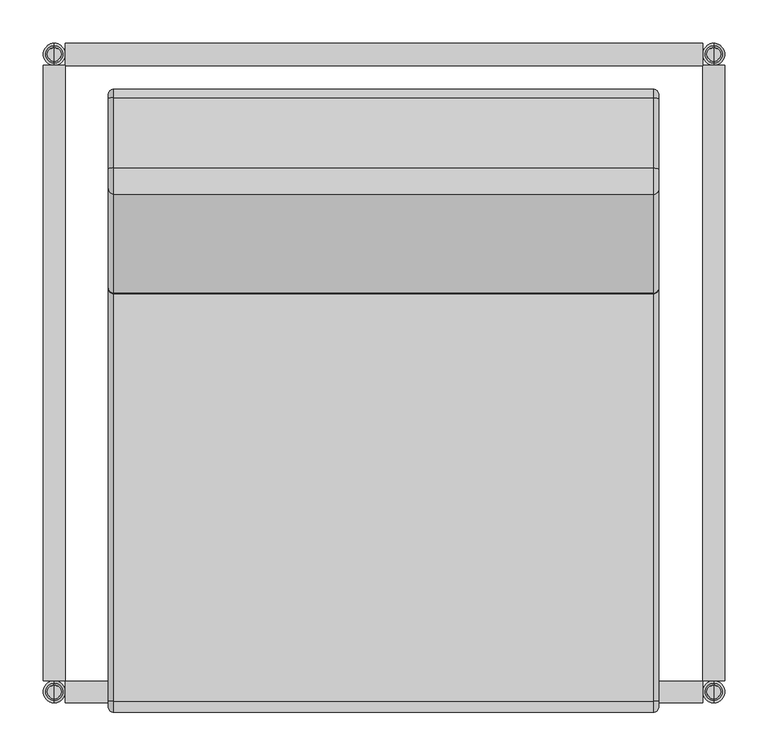
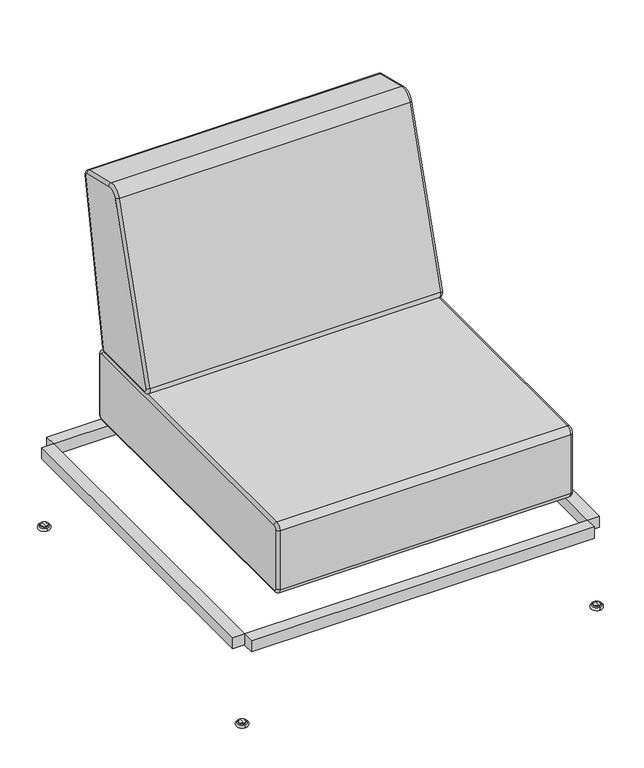
"""IFC4 building model written with IfcOpenShell, lengths in millimetres: furniture geometry."""

from ifc_helpers import new_model, si_unit, point, frame, origin, place, context, project, spatial, polyline, circle_curve, ellipse_curve, trimmed, outline, extrude, source, transform, mapped, element, save
from ifc_brep_helpers import plane_surface, cylinder_surface, revolved_surface, advanced_brep


def furniture_229e0171(model_context):
    return source(origin(), model_context, "Body", "SolidModel", [
        advanced_brep(
        [(318.135, 203.5976693, 449.67347), (318.135, 209.8417908, 454.8687203), (318.135, 274.9248083, 806.058041), (318.135, 270.2144776, 813.3747697), (318.135, 189.0404606, 833.5799534), (318.135, 166.2685391, 820.8153439), (318.135, 51.775765, 457.930579), (318.135, 57.8326142, 449.67347), (-318.135, 57.8326142, 449.67347), (-318.135, 51.775764, 457.9305793), (-318.135, 166.2685402, 820.8153435), (-318.135, 189.0404606, 833.5799534), (-318.135, 270.2144776, 813.3747697), (-318.135, 274.9248088, 806.0580409), (-318.135, 209.8417903, 454.8687204), (-318.135, 203.5976693, 449.67347), (311.785, 57.8326142, 443.32347), (311.785, 45.7189138, 459.8376886), (-311.7850067, 45.7189138, 459.8376886), (-311.785, 57.8326142, 443.32347), (311.785, 203.5976693, 443.32347), (-311.785, 203.5976693, 443.32347), (311.785, 216.0859123, 453.7139707), (-311.785, 216.0859123, 453.7139707), (311.785, 281.1689303, 804.9032913), (-311.785, 281.1689303, 804.9032913), (311.785, 271.7482679, 819.5367489), (-311.785, 271.7482679, 819.5367489), (311.785, 190.5742509, 839.7419326), (-311.785, 190.5742509, 839.7419326), (311.785, 160.211689, 822.7224532), (-311.785, 160.211689, 822.7224532)],
        [
            (0, 1, circle_curve(frame((318.135, 203.5976693, 456.02347), z_axis=(1.0, 0.0, 0.0), x_axis=(0.0, 0.0, -1.0)), 6.35)),
            (1, 2),
            (2, 3, circle_curve(frame((318.135, 268.6806873, 807.2127906), z_axis=(1.0, 0.0, 0.0), x_axis=(0.0, 0.9833262195498119, -0.1818503394164419)), 6.35)),
            (3, 4),
            (4, 5, circle_curve(frame((318.135, 184.4390897, 815.0940159), z_axis=(1.0, 0.0, 0.0), x_axis=(0.0, 0.24154178146765434, 0.9703904202976408)), 19.05)),
            (5, 6),
            (6, 7, circle_curve(frame((318.135, 57.8326142, 456.02347), z_axis=(1.0, 0.0, 0.0), x_axis=(0.0, -0.9538346735536154, 0.300332175310718)), 6.35)),
            (7, 0),
            (8, 9, circle_curve(frame((-318.135, 57.8326142, 456.02347), z_axis=(-1.0, 0.0, 0.0), x_axis=(0.0, 0.0, -1.0)), 6.35)),
            (9, 10),
            (10, 11, circle_curve(frame((-318.135, 184.4390897, 815.0940159), z_axis=(-1.0, 0.0, 0.0), x_axis=(0.0, -0.9538346735536174, 0.3003321753107118)), 19.05)),
            (11, 12),
            (12, 13, circle_curve(frame((-318.135, 268.6806873, 807.2127906), z_axis=(-1.0, 0.0, 0.0), x_axis=(0.0, 0.2415417814676418, 0.9703904202976439)), 6.35)),
            (13, 14),
            (14, 15, circle_curve(frame((-318.135, 203.5976693, 456.02347), z_axis=(-1.0, 0.0, 0.0), x_axis=(0.0, 0.9833262195498153, -0.18185033941642398)), 6.35)),
            (15, 8),
            (16, 17, circle_curve(frame((311.785, 57.8326142, 456.02347), z_axis=(-1.0, 0.0, 0.0), x_axis=(0.0, 1.0, 0.0)), 12.7)),
            (17, 18),
            (18, 19, circle_curve(frame((-311.785, 57.8326142, 456.02347), z_axis=(1.0, 0.0, 0.0), x_axis=(0.0, 1.0, 0.0)), 12.7)),
            (19, 16),
            (20, 16),
            (19, 21),
            (21, 20),
            (22, 20, circle_curve(frame((311.785, 203.5976693, 456.02347), z_axis=(-1.0, 0.0, 0.0), x_axis=(0.0, 1.0, 0.0)), 12.7)),
            (21, 23, circle_curve(frame((-311.785, 203.5976693, 456.02347), z_axis=(1.0, 0.0, 0.0), x_axis=(0.0, 1.0, 0.0)), 12.7)),
            (23, 22),
            (24, 22),
            (23, 25),
            (25, 24),
            (26, 24, circle_curve(frame((311.785, 268.6806873, 807.2127906), z_axis=(-1.0, 0.0, 0.0), x_axis=(0.0, 1.0, 0.0)), 12.7)),
            (25, 27, circle_curve(frame((-311.785, 268.6806873, 807.2127906), z_axis=(1.0, 0.0, 0.0), x_axis=(0.0, 1.0, 0.0)), 12.7)),
            (27, 26),
            (28, 26),
            (27, 29),
            (29, 28),
            (30, 28, circle_curve(frame((311.785, 184.4390897, 815.0940159), z_axis=(-1.0, 0.0, 0.0), x_axis=(0.0, 1.0, 0.0)), 25.4)),
            (29, 31, circle_curve(frame((-311.785, 184.4390897, 815.0940159), z_axis=(1.0, 0.0, 0.0), x_axis=(0.0, 1.0, 0.0)), 25.4)),
            (31, 30),
            (17, 30),
            (31, 18),
            (22, 1, circle_curve(frame((311.785, 209.8417908, 454.8687203), z_axis=(0.0, -0.18185033941643255, -0.9833262195498137), x_axis=(1.0, 0.0, 0.0)), 6.35)),
            (0, 20, circle_curve(frame((311.785, 203.5976693, 449.67347), z_axis=(0.0, 1.0, 0.0), x_axis=(1.0, 0.0, 0.0)), 6.35)),
            (24, 2, circle_curve(frame((311.785, 274.9248088, 806.0580409), z_axis=(0.0, -0.18185033941644188, -0.9833262195498119), x_axis=(1.0, 0.0, 0.0)), 6.35)),
            (26, 3, circle_curve(frame((311.785, 270.2144776, 813.3747697), z_axis=(0.0, 0.9703904202976429, -0.24154178146764613), x_axis=(1.0, 0.0, 0.0)), 6.35)),
            (28, 4, circle_curve(frame((311.785, 189.0404606, 833.5799534), z_axis=(0.0, 0.9703904202976446, -0.24154178146763988), x_axis=(1.0, 0.0, 0.0)), 6.35)),
            (30, 5, circle_curve(frame((311.785, 166.2685391, 820.8153439), z_axis=(0.0, 0.30033217531071976, 0.9538346735536148), x_axis=(1.0, 0.0, 0.0)), 6.35)),
            (17, 6, circle_curve(frame((311.785, 51.775764, 457.9305793), z_axis=(0.0, 0.30033217531071843, 0.9538346735536153), x_axis=(1.0, 0.0, 0.0)), 6.35)),
            (16, 7, circle_curve(frame((311.785, 57.8326142, 449.67347), z_axis=(0.0, -0.9999999999999999, 0.0), x_axis=(1.0, 0.0, 0.0)), 6.35)),
            (18, 9, circle_curve(frame((-311.785, 51.775764, 457.9305793), z_axis=(0.0, -0.30033217531071216, -0.9538346735536172), x_axis=(-1.0, 0.0, 0.0)), 6.35)),
            (8, 19, circle_curve(frame((-311.785, 57.8326142, 449.67347), z_axis=(0.0, -1.0, 0.0), x_axis=(-1.0, 0.0, 0.0)), 6.35)),
            (31, 10, circle_curve(frame((-311.785, 166.2685391, 820.8153439), z_axis=(0.0, -0.3003321753107114, -0.9538346735536175), x_axis=(-1.0, 0.0, 0.0)), 6.35)),
            (29, 11, circle_curve(frame((-311.785, 189.0404606, 833.5799534), z_axis=(0.0, -0.9703904202976462, 0.241541781467633), x_axis=(-1.0, 0.0, 0.0)), 6.35)),
            (27, 12, circle_curve(frame((-311.785, 270.2144776, 813.3747697), z_axis=(0.0, -0.9703904202976446, 0.24154178146763972), x_axis=(-1.0, 0.0, 0.0)), 6.35)),
            (25, 13, circle_curve(frame((-311.785, 274.9248088, 806.0580409), z_axis=(0.0, 0.18185033941641382, 0.9833262195498171), x_axis=(-1.0, 0.0, 0.0)), 6.35)),
            (23, 14, circle_curve(frame((-311.785, 209.8417908, 454.8687203), z_axis=(0.0, 0.1818503394164239, 0.9833262195498153), x_axis=(-1.0, 0.0, 0.0)), 6.35)),
            (21, 15, circle_curve(frame((-311.785, 203.5976693, 449.67347), z_axis=(0.0, 1.0, 0.0), x_axis=(-1.0, 0.0, 0.0)), 6.35)),
        ],
        [
            plane_surface(frame((318.135, 70.5326142, 456.02347), z_axis=(1.0, 0.0, 0.0), x_axis=(0.0, 0.0, 1.0))),
            plane_surface(frame((-318.135, 70.5326142, 456.02347), z_axis=(-1.0, 0.0, 0.0), x_axis=(0.0, 0.0, -1.0))),
            cylinder_surface(frame((-318.135, 57.8326142, 456.02347), z_axis=(1.0, 0.0, 0.0), x_axis=(0.0, 1.0, 0.0)), 12.7),
            plane_surface(frame((318.135, 57.8326142, 443.32347), z_axis=(0.0, 0.0, -1.0), x_axis=(-1.0, 0.0, 0.0))),
            cylinder_surface(frame((-318.135, 203.5976693, 456.02347), z_axis=(1.0, 0.0, 0.0), x_axis=(0.0, 1.0, 0.0)), 12.7),
            plane_surface(frame((318.135, 216.0859123, 453.7139707), z_axis=(0.0, 0.9832579552536985, -0.1822190808623393), x_axis=(-1.0, 0.0, 0.0))),
            cylinder_surface(frame((-318.135, 268.6806873, 807.2127906), z_axis=(1.0, 0.0, 0.0), x_axis=(0.0, 1.0, 0.0)), 12.7),
            plane_surface(frame((318.135, 271.7482679, 819.5367489), z_axis=(0.0, 0.24154178146763985, 0.9703904202976444), x_axis=(-1.0, 0.0, 0.0))),
            cylinder_surface(frame((-318.135, 184.4390897, 815.0940159), z_axis=(1.0, 0.0, 0.0), x_axis=(0.0, 1.0, 0.0)), 25.4),
            plane_surface(frame((318.135, 160.211689, 822.7224532), z_axis=(0.0, -0.9536599190573676, 0.30088662114407017), x_axis=(-1.0, 0.0, 0.0))),
            revolved_surface(trimmed(ellipse_curve(frame((311.785, 203.5976693, 449.67347), z_axis=(0.0, -1.0, 0.0), x_axis=(1.0, 0.0, 0.0)), 6.35, 6.35), [point((311.785, 203.5976693, 443.32347))], [point((318.135, 203.5976693, 449.67347))], True, "CARTESIAN"), (318.135, 203.5976693, 456.02347), (1.0, 0.0, 0.0)),
            cylinder_surface(frame((311.785, 209.8422243, 454.8710619), z_axis=(0.0, 0.1822190808623392, 0.9832579552536986), x_axis=(1.0, 0.0, 0.0)), 6.35),
            revolved_surface(trimmed(ellipse_curve(frame((311.785, 274.9248088, 806.0580409), z_axis=(0.0, -0.18185033941644188, -0.9833262195498119), x_axis=(1.0, 0.0, 0.0)), 6.35, 6.35), [point((311.785, 281.1689303, 804.9032913))], [point((318.135, 274.9248088, 806.0580409))], True, "CARTESIAN"), (318.135, 268.6806873, 807.2127906), (1.0, 0.0, 0.0)),
            cylinder_surface(frame((311.785, 270.2144776, 813.3747697), z_axis=(0.0, -0.9703904202976446, 0.24154178146763988), x_axis=(1.0, 0.0, 0.0)), 6.35),
            revolved_surface(trimmed(ellipse_curve(frame((311.785, 189.0404606, 833.5799534), z_axis=(0.0, 0.9703904202976408, -0.24154178146765437), x_axis=(1.0, 0.0, 0.0)), 6.35, 6.35), [point((311.785, 190.5742509, 839.7419326))], [point((318.135, 189.0404606, 833.5799534))], True, "CARTESIAN"), (318.135, 184.4390897, 815.0940159), (1.0, 0.0, 0.0)),
            cylinder_surface(frame((311.785, 166.2674295, 820.8118231), z_axis=(0.0, -0.3008866211440702, -0.9536599190573676), x_axis=(1.0, 0.0, 0.0)), 6.35),
            revolved_surface(trimmed(ellipse_curve(frame((311.785, 51.775764, 457.9305793), z_axis=(0.0, 0.30033217531071843, 0.9538346735536153), x_axis=(1.0, 0.0, 0.0)), 6.35, 6.35), [point((311.785, 45.7189138, 459.8376886))], [point((318.135, 51.775764, 457.9305793))], True, "CARTESIAN"), (318.135, 57.8326142, 456.02347), (1.0, 0.0, 0.0)),
            cylinder_surface(frame((311.785, 57.8326142, 449.67347), z_axis=(0.0, 1.0, 0.0), x_axis=(1.0, 0.0, 0.0)), 6.35),
            revolved_surface(trimmed(ellipse_curve(frame((-311.785, 57.8326142, 449.67347), z_axis=(0.0, 1.0, 0.0), x_axis=(-1.0, 0.0, 0.0)), 6.35, 6.35), [point((-311.785, 57.8326142, 443.32347))], [point((-318.135, 57.8326142, 449.67347))], True, "CARTESIAN"), (-318.135, 57.8326142, 456.02347), (-1.0, 0.0, 0.0)),
            cylinder_surface(frame((-311.785, 51.7746543, 457.9270586), z_axis=(0.0, 0.30088662114407, 0.9536599190573677), x_axis=(-1.0, 0.0, 0.0)), 6.35),
            revolved_surface(trimmed(ellipse_curve(frame((-311.785, 166.2685391, 820.8153439), z_axis=(0.0, -0.3003321753107114, -0.9538346735536175), x_axis=(-1.0, 0.0, 0.0)), 6.35, 6.35), [point((-311.785, 160.211689, 822.7224532))], [point((-318.135, 166.2685391, 820.8153439))], True, "CARTESIAN"), (-318.135, 184.4390897, 815.0940159), (-1.0, 0.0, 0.0)),
            cylinder_surface(frame((-311.785, 189.0404606, 833.5799534), z_axis=(0.0, 0.9703904202976446, -0.24154178146763972), x_axis=(-1.0, 0.0, 0.0)), 6.35),
            revolved_surface(trimmed(ellipse_curve(frame((-311.785, 270.2144776, 813.3747697), z_axis=(0.0, -0.9703904202976439, 0.24154178146764166), x_axis=(-1.0, 0.0, 0.0)), 6.35, 6.35), [point((-311.785, 271.7482679, 819.5367489))], [point((-318.135, 270.2144776, 813.3747697))], True, "CARTESIAN"), (-318.135, 268.6806873, 807.2127906), (-1.0, 0.0, 0.0)),
            cylinder_surface(frame((-311.785, 274.9252423, 806.0603824), z_axis=(0.0, -0.18221908086233923, -0.9832579552536985), x_axis=(-1.0, 0.0, 0.0)), 6.35),
            revolved_surface(trimmed(ellipse_curve(frame((-311.785, 209.8417908, 454.8687203), z_axis=(0.0, 0.1818503394164239, 0.9833262195498153), x_axis=(-1.0, 0.0, 0.0)), 6.35, 6.35), [point((-311.785, 216.0859123, 453.7139707))], [point((-318.135, 209.8417908, 454.8687203))], True, "CARTESIAN"), (-318.135, 203.5976693, 456.02347), (-1.0, 0.0, 0.0)),
            cylinder_surface(frame((-311.785, 203.5976693, 449.67347), z_axis=(0.0, -1.0, 0.0), x_axis=(-1.0, 0.0, 0.0)), 6.35),
        ],
        [
            (0, [[1, 2, 3, 4, 5, 6, 7, 8]]),
            (1, [[9, 10, 11, 12, 13, 14, 15, 16]]),
            (2, [[17, 18, 19, 20]]),
            (3, [[21, -20, 22, 23]]),
            (4, [[24, -23, 25, 26]]),
            (5, [[27, -26, 28, 29]]),
            (6, [[30, -29, 31, 32]]),
            (7, [[33, -32, 34, 35]]),
            (8, [[36, -35, 37, 38]]),
            (9, [[39, -38, 40, -18]]),
            (10, [[41, -1, 42, -24]]),
            (11, [[-41, -27, 43, -2]]),
            (12, [[-43, -30, 44, -3]]),
            (13, [[-44, -33, 45, -4]]),
            (14, [[-45, -36, 46, -5]]),
            (15, [[-46, -39, 47, -6]]),
            (16, [[-47, -17, 48, -7]]),
            (17, [[-42, -8, -48, -21]]),
            (18, [[49, -9, 50, -19]]),
            (19, [[-49, -40, 51, -10]]),
            (20, [[-51, -37, 52, -11]]),
            (21, [[-52, -34, 53, -12]]),
            (22, [[-53, -31, 54, -13]]),
            (23, [[-54, -28, 55, -14]]),
            (24, [[-55, -25, 56, -15]]),
            (25, [[-50, -16, -56, -22]]),
        ],
    ),
        advanced_brep(
        [(318.135, -425.6980024, 436.97347), (318.135, -432.0480024, 430.62347), (318.135, -432.0480024, 297.27347), (318.135, -425.6980024, 290.92347), (318.135, 215.436908, 290.92347), (318.135, 221.786908, 297.27347), (318.135, 221.786908, 430.62347), (318.135, 215.436908, 436.97347), (-318.135, 215.436908, 436.97347), (-318.135, 221.786908, 430.62347), (-318.135, 221.786908, 297.27347), (-318.135, 215.436908, 290.92347), (-318.135, -425.6980024, 290.92347), (-318.135, -432.0480024, 297.27347), (-318.135, -432.0480024, 430.62347), (-318.135, -425.6980024, 436.97347), (311.785, -438.3980024, 297.27347), (311.785, -438.3980024, 430.62347), (-311.785, -438.3980024, 430.62347), (-311.785, -438.3980024, 297.27347), (311.785, -425.6980024, 284.57347), (-311.785, -425.6980024, 284.57347), (311.785, 215.436908, 284.57347), (-311.785, 215.436908, 284.57347), (311.785, 228.136908, 297.27347), (-311.785, 228.136908, 297.27347), (311.785, 228.136908, 430.62347), (-311.785, 228.136908, 430.62347), (311.785, 215.436908, 443.32347), (-311.785, 215.436908, 443.32347), (311.785, -425.6980024, 443.32347), (-311.785, -425.6980024, 443.32347)],
        [
            (0, 1, circle_curve(frame((318.135, -425.6980024, 430.62347), z_axis=(1.0, 0.0, 0.0), x_axis=(0.0, 0.0, 1.0)), 6.35)),
            (1, 2),
            (2, 3, circle_curve(frame((318.135, -425.6980024, 297.27347), z_axis=(1.0, 0.0, 0.0), x_axis=(0.0, -1.0, 0.0)), 6.35)),
            (3, 4),
            (4, 5, circle_curve(frame((318.135, 215.436908, 297.27347), z_axis=(1.0, 0.0, 0.0), x_axis=(0.0, 0.0, -1.0)), 6.35)),
            (5, 6),
            (6, 7, circle_curve(frame((318.135, 215.436908, 430.62347), z_axis=(1.0, 0.0, 0.0), x_axis=(0.0, 1.0, 0.0)), 6.35)),
            (7, 0),
            (8, 9, circle_curve(frame((-318.135, 215.436908, 430.62347), z_axis=(-1.0, 0.0, 0.0), x_axis=(0.0, 0.0, 1.0)), 6.35)),
            (9, 10),
            (10, 11, circle_curve(frame((-318.135, 215.436908, 297.27347), z_axis=(-1.0, 0.0, 0.0), x_axis=(0.0, 1.0, 0.0)), 6.35)),
            (11, 12),
            (12, 13, circle_curve(frame((-318.135, -425.6980024, 297.27347), z_axis=(-1.0, 0.0, 0.0), x_axis=(0.0, 0.0, -1.0)), 6.35)),
            (13, 14),
            (14, 15, circle_curve(frame((-318.135, -425.6980024, 430.62347), z_axis=(-1.0, 0.0, 0.0), x_axis=(0.0, -1.0, 0.0)), 6.35)),
            (15, 8),
            (16, 17),
            (17, 18),
            (18, 19),
            (19, 16),
            (20, 16, circle_curve(frame((311.785, -425.6980024, 297.27347), z_axis=(-1.0, 0.0, 0.0), x_axis=(0.0, 1.0, 0.0)), 12.7)),
            (19, 21, circle_curve(frame((-311.785, -425.6980024, 297.27347), z_axis=(1.0, 0.0, 0.0), x_axis=(0.0, 1.0, 0.0)), 12.7)),
            (21, 20),
            (22, 20),
            (21, 23),
            (23, 22),
            (24, 22, circle_curve(frame((311.785, 215.436908, 297.27347), z_axis=(-1.0, 0.0, 0.0), x_axis=(0.0, 1.0, 0.0)), 12.7)),
            (23, 25, circle_curve(frame((-311.785, 215.436908, 297.27347), z_axis=(1.0, 0.0, 0.0), x_axis=(0.0, 1.0, 0.0)), 12.7)),
            (25, 24),
            (26, 24),
            (25, 27),
            (27, 26),
            (28, 26, circle_curve(frame((311.785, 215.436908, 430.62347), z_axis=(-1.0, 0.0, 0.0), x_axis=(0.0, 1.0, 0.0)), 12.7)),
            (27, 29, circle_curve(frame((-311.785, 215.436908, 430.62347), z_axis=(1.0, 0.0, 0.0), x_axis=(0.0, 1.0, 0.0)), 12.7)),
            (29, 28),
            (30, 28),
            (29, 31),
            (31, 30),
            (17, 30, circle_curve(frame((311.785, -425.6980024, 430.62347), z_axis=(-1.0, 0.0, 0.0), x_axis=(0.0, 1.0, 0.0)), 12.7)),
            (31, 18, circle_curve(frame((-311.785, -425.6980024, 430.62347), z_axis=(1.0, 0.0, 0.0), x_axis=(0.0, 1.0, 0.0)), 12.7)),
            (17, 1, circle_curve(frame((311.785, -432.0480024, 430.62347), z_axis=(0.0, 0.0, 1.0), x_axis=(1.0, 0.0, 0.0)), 6.35)),
            (0, 30, circle_curve(frame((311.785, -425.6980024, 436.97347), z_axis=(0.0, -1.0, 0.0), x_axis=(1.0, 0.0, 0.0)), 6.35)),
            (16, 2, circle_curve(frame((311.785, -432.0480024, 297.27347), z_axis=(0.0, 0.0, 1.0), x_axis=(1.0, 0.0, 0.0)), 6.35)),
            (20, 3, circle_curve(frame((311.785, -425.6980024, 290.92347), z_axis=(0.0, -1.0, 0.0), x_axis=(1.0, 0.0, 0.0)), 6.35)),
            (22, 4, circle_curve(frame((311.785, 215.436908, 290.92347), z_axis=(0.0, -1.0, 0.0), x_axis=(1.0, 0.0, 0.0)), 6.35)),
            (24, 5, circle_curve(frame((311.785, 221.786908, 297.27347), z_axis=(0.0, 0.0, -1.0), x_axis=(1.0, 0.0, 0.0)), 6.35)),
            (26, 6, circle_curve(frame((311.785, 221.786908, 430.62347), z_axis=(0.0, 0.0, -1.0), x_axis=(1.0, 0.0, 0.0)), 6.35)),
            (28, 7, circle_curve(frame((311.785, 215.436908, 436.97347), z_axis=(0.0, 1.0, 0.0), x_axis=(1.0, 0.0, 0.0)), 6.35)),
            (27, 9, circle_curve(frame((-311.785, 221.786908, 430.62347), z_axis=(0.0, 0.0, 1.0), x_axis=(-1.0, 0.0, 0.0)), 6.35)),
            (8, 29, circle_curve(frame((-311.785, 215.436908, 436.97347), z_axis=(0.0, 1.0, 0.0), x_axis=(-1.0, 0.0, 0.0)), 6.35)),
            (25, 10, circle_curve(frame((-311.785, 221.786908, 297.27347), z_axis=(0.0, 0.0, 1.0), x_axis=(-1.0, 0.0, 0.0)), 6.35)),
            (23, 11, circle_curve(frame((-311.785, 215.436908, 290.92347), z_axis=(0.0, 1.0, 0.0), x_axis=(-1.0, 0.0, 0.0)), 6.35)),
            (21, 12, circle_curve(frame((-311.785, -425.6980024, 290.92347), z_axis=(0.0, 1.0, 0.0), x_axis=(-1.0, 0.0, 0.0)), 6.35)),
            (19, 13, circle_curve(frame((-311.785, -432.0480024, 297.27347), z_axis=(0.0, 0.0, -1.0), x_axis=(-1.0, 0.0, 0.0)), 6.35)),
            (18, 14, circle_curve(frame((-311.785, -432.0480024, 430.62347), z_axis=(0.0, 0.0, -1.0), x_axis=(-1.0, 0.0, 0.0)), 6.35)),
            (31, 15, circle_curve(frame((-311.785, -425.6980024, 436.97347), z_axis=(0.0, -1.0, 0.0), x_axis=(-1.0, 0.0, 0.0)), 6.35)),
        ],
        [
            plane_surface(frame((318.135, -412.9980024, 430.62347), z_axis=(1.0, 0.0, 0.0), x_axis=(0.0, 0.0, 1.0))),
            plane_surface(frame((-318.135, -412.9980024, 430.62347), z_axis=(-1.0, 0.0, 0.0), x_axis=(0.0, 0.0, -1.0))),
            plane_surface(frame((318.135, -438.3980024, 430.62347), z_axis=(0.0, -1.0, 0.0), x_axis=(-1.0, 0.0, 0.0))),
            cylinder_surface(frame((-318.135, -425.6980024, 297.27347), z_axis=(1.0, 0.0, 0.0), x_axis=(0.0, 1.0, 0.0)), 12.7),
            plane_surface(frame((318.135, -425.6980024, 284.57347), z_axis=(0.0, 0.0, -1.0), x_axis=(-1.0, 0.0, 0.0))),
            cylinder_surface(frame((-318.135, 215.436908, 297.27347), z_axis=(1.0, 0.0, 0.0), x_axis=(0.0, 1.0, 0.0)), 12.7),
            plane_surface(frame((318.135, 228.136908, 297.27347), z_axis=(0.0, 1.0, 0.0), x_axis=(-1.0, 0.0, 0.0))),
            cylinder_surface(frame((-318.135, 215.436908, 430.62347), z_axis=(1.0, 0.0, 0.0), x_axis=(0.0, 1.0, 0.0)), 12.7),
            plane_surface(frame((318.135, 215.436908, 443.32347), z_axis=(0.0, 0.0, 1.0), x_axis=(-1.0, 0.0, 0.0))),
            cylinder_surface(frame((-318.135, -425.6980024, 430.62347), z_axis=(1.0, 0.0, 0.0), x_axis=(0.0, 1.0, 0.0)), 12.7),
            revolved_surface(trimmed(ellipse_curve(frame((311.785, -425.6980024, 436.97347), z_axis=(0.0, 1.0, 0.0), x_axis=(1.0, 0.0, 0.0)), 6.35, 6.35), [point((311.785, -425.6980024, 443.32347))], [point((318.135, -425.6980024, 436.97347))], True, "CARTESIAN"), (318.135, -425.6980024, 430.62347), (1.0, 0.0, 0.0)),
            cylinder_surface(frame((311.785, -432.0480024, 430.62347), z_axis=(0.0, 0.0, -1.0), x_axis=(1.0, 0.0, 0.0)), 6.35),
            revolved_surface(trimmed(ellipse_curve(frame((311.785, -432.0480024, 297.27347), z_axis=(0.0, 0.0, 1.0), x_axis=(1.0, 0.0, 0.0)), 6.35, 6.35), [point((311.785, -438.3980024, 297.27347))], [point((318.135, -432.0480024, 297.27347))], True, "CARTESIAN"), (318.135, -425.6980024, 297.27347), (1.0, 0.0, 0.0)),
            cylinder_surface(frame((311.785, -425.6980024, 290.92347), z_axis=(0.0, 1.0, 0.0), x_axis=(1.0, 0.0, 0.0)), 6.35),
            revolved_surface(trimmed(ellipse_curve(frame((311.785, 215.436908, 290.92347), z_axis=(0.0, -1.0, 0.0), x_axis=(1.0, 0.0, 0.0)), 6.35, 6.35), [point((311.785, 215.436908, 284.57347))], [point((318.135, 215.436908, 290.92347))], True, "CARTESIAN"), (318.135, 215.436908, 297.27347), (1.0, 0.0, 0.0)),
            cylinder_surface(frame((311.785, 221.786908, 297.27347), z_axis=(0.0, 0.0, 1.0), x_axis=(1.0, 0.0, 0.0)), 6.35),
            revolved_surface(trimmed(ellipse_curve(frame((311.785, 221.786908, 430.62347), z_axis=(0.0, 0.0, -1.0), x_axis=(1.0, 0.0, 0.0)), 6.35, 6.35), [point((311.785, 228.136908, 430.62347))], [point((318.135, 221.786908, 430.62347))], True, "CARTESIAN"), (318.135, 215.436908, 430.62347), (1.0, 0.0, 0.0)),
            cylinder_surface(frame((311.785, 215.436908, 436.97347), z_axis=(0.0, -1.0, 0.0), x_axis=(1.0, 0.0, 0.0)), 6.35),
            revolved_surface(trimmed(ellipse_curve(frame((-311.785, 215.436908, 436.97347), z_axis=(0.0, -1.0, 0.0), x_axis=(-1.0, 0.0, 0.0)), 6.35, 6.35), [point((-311.785, 215.436908, 443.32347))], [point((-318.135, 215.436908, 436.97347))], True, "CARTESIAN"), (-318.135, 215.436908, 430.62347), (-1.0, 0.0, 0.0)),
            cylinder_surface(frame((-311.785, 221.786908, 430.62347), z_axis=(0.0, 0.0, -1.0), x_axis=(-1.0, 0.0, 0.0)), 6.35),
            revolved_surface(trimmed(ellipse_curve(frame((-311.785, 221.786908, 297.27347), z_axis=(0.0, 0.0, 1.0), x_axis=(-1.0, 0.0, 0.0)), 6.35, 6.35), [point((-311.785, 228.136908, 297.27347))], [point((-318.135, 221.786908, 297.27347))], True, "CARTESIAN"), (-318.135, 215.436908, 297.27347), (-1.0, 0.0, 0.0)),
            cylinder_surface(frame((-311.785, 215.436908, 290.92347), z_axis=(0.0, -1.0, 0.0), x_axis=(-1.0, 0.0, 0.0)), 6.35),
            revolved_surface(trimmed(ellipse_curve(frame((-311.785, -425.6980024, 290.92347), z_axis=(0.0, 1.0, 0.0), x_axis=(-1.0, 0.0, 0.0)), 6.35, 6.35), [point((-311.785, -425.6980024, 284.57347))], [point((-318.135, -425.6980024, 290.92347))], True, "CARTESIAN"), (-318.135, -425.6980024, 297.27347), (-1.0, 0.0, 0.0)),
            cylinder_surface(frame((-311.785, -432.0480024, 297.27347), z_axis=(0.0, 0.0, 1.0), x_axis=(-1.0, 0.0, 0.0)), 6.35),
            revolved_surface(trimmed(ellipse_curve(frame((-311.785, -432.0480024, 430.62347), z_axis=(0.0, 0.0, -1.0), x_axis=(-1.0, 0.0, 0.0)), 6.35, 6.35), [point((-311.785, -438.3980024, 430.62347))], [point((-318.135, -432.0480024, 430.62347))], True, "CARTESIAN"), (-318.135, -425.6980024, 430.62347), (-1.0, 0.0, 0.0)),
            cylinder_surface(frame((-311.785, -425.6980024, 436.97347), z_axis=(0.0, 1.0, 0.0), x_axis=(-1.0, 0.0, 0.0)), 6.35),
        ],
        [
            (0, [[1, 2, 3, 4, 5, 6, 7, 8]]),
            (1, [[9, 10, 11, 12, 13, 14, 15, 16]]),
            (2, [[17, 18, 19, 20]]),
            (3, [[21, -20, 22, 23]]),
            (4, [[24, -23, 25, 26]]),
            (5, [[27, -26, 28, 29]]),
            (6, [[30, -29, 31, 32]]),
            (7, [[33, -32, 34, 35]]),
            (8, [[36, -35, 37, 38]]),
            (9, [[39, -38, 40, -18]]),
            (10, [[41, -1, 42, -39]]),
            (11, [[-41, -17, 43, -2]]),
            (12, [[-43, -21, 44, -3]]),
            (13, [[-44, -24, 45, -4]]),
            (14, [[-45, -27, 46, -5]]),
            (15, [[-46, -30, 47, -6]]),
            (16, [[-47, -33, 48, -7]]),
            (17, [[-42, -8, -48, -36]]),
            (18, [[49, -9, 50, -34]]),
            (19, [[-49, -31, 51, -10]]),
            (20, [[-51, -28, 52, -11]]),
            (21, [[-52, -25, 53, -12]]),
            (22, [[-53, -22, 54, -13]]),
            (23, [[-54, -19, 55, -14]]),
            (24, [[-55, -40, 56, -15]]),
            (25, [[-50, -16, -56, -37]]),
        ],
    ),
        advanced_brep(
        [(381.635, -406.795542, 7.6882771), (381.635, -422.5563991, 7.6882771), (381.635, -422.5563991, 8.7536), (381.635, -406.795542, 8.7536), (381.635, -414.6759705, 8.7536), (381.635, -414.6759705, 0.0), (381.635, -424.8816902, 0.0), (381.635, -404.4702509, 0.0), (381.635, -424.8816902, 5.362986), (381.635, -404.4702509, 5.362986)],
        [
            (0, 1, circle_curve(frame((381.635, -414.6759705, 7.6882771), z_axis=(0.0, 0.0, 1.0), x_axis=(0.0, -1.0, 0.0)), 7.8804286)),
            (1, 2),
            (2, 3, circle_curve(frame((381.635, -414.6759705, 8.7536), z_axis=(0.0, 0.0, -1.0), x_axis=(0.0, -1.0, 0.0)), 7.8804286)),
            (3, 0),
            (1, 0, circle_curve(frame((381.635, -414.6759705, 7.6882771), z_axis=(0.0, 0.0, 1.0), x_axis=(0.0, -1.0, 0.0)), 7.8804286)),
            (3, 2, circle_curve(frame((381.635, -414.6759705, 8.7536), z_axis=(0.0, 0.0, -1.0), x_axis=(0.0, -1.0, 0.0)), 7.8804286)),
            (2, 4),
            (4, 3),
            (5, 6),
            (6, 7, circle_curve(frame((381.635, -414.6759705, 0.0), z_axis=(0.0, 0.0, -1.0), x_axis=(0.0, -1.0, 0.0)), 10.2057196)),
            (7, 5),
            (7, 6, circle_curve(frame((381.635, -414.6759705, 0.0), z_axis=(0.0, 0.0, -1.0), x_axis=(0.0, -1.0, 0.0)), 10.2057196)),
            (6, 8, circle_curve(frame((381.635, -424.6855661, 2.681493), z_axis=(-1.0, 0.0, 0.0), x_axis=(0.0, -1.0, 0.0)), 2.6886557)),
            (8, 9, circle_curve(frame((381.635, -414.6759705, 5.362986), z_axis=(0.0, 0.0, -1.0), x_axis=(0.0, -1.0, 0.0)), 10.2057196)),
            (9, 7, circle_curve(frame((381.635, -404.6663749, 2.681493), z_axis=(-1.0, 0.0, 0.0), x_axis=(0.0, 1.0, 0.0)), 2.6886557)),
            (9, 8, circle_curve(frame((381.635, -414.6759705, 5.362986), z_axis=(0.0, 0.0, -1.0), x_axis=(0.0, -1.0, 0.0)), 10.2057196)),
            (8, 1, circle_curve(frame((381.635, -424.8816902, 7.6882771), z_axis=(1.0, 0.0, 0.0), x_axis=(0.0, -1.0, 0.0)), 2.3252911)),
            (0, 9, circle_curve(frame((381.635, -404.4702509, 7.6882771), z_axis=(1.0, 0.0, 0.0), x_axis=(0.0, 1.0, 0.0)), 2.3252911)),
        ],
        [
            cylinder_surface(frame((381.635, -414.6759705, 0.0), z_axis=(0.0, 0.0, -1.0), x_axis=(0.0, -1.0, 0.0)), 7.8804286),
            plane_surface(frame((381.635, -414.6759705, 8.7536), z_axis=(0.0, 0.0, 1.0), x_axis=(0.0, -1.0, 0.0))),
            plane_surface(frame((381.635, -414.6759705, 0.0), z_axis=(0.0, 0.0, -1.0), x_axis=(0.0, -1.0, 0.0))),
            revolved_surface(trimmed(ellipse_curve(frame((381.635, -424.6855661, 2.681493), z_axis=(1.0, 0.0, 0.0), x_axis=(0.0, -1.0, 0.0)), 2.6886557, 2.6886557), [point((381.635, -424.8816902, 5.362986))], [point((381.635, -424.8816902, 0.0))], True, "CARTESIAN"), (381.635, -414.6759705, 0.0), (0.0, 0.0, -1.0)),
            revolved_surface(trimmed(ellipse_curve(frame((381.635, -424.8816902, 7.6882771), z_axis=(-1.0, 0.0, 0.0), x_axis=(0.0, -1.0, 0.0)), 2.3252911, 2.3252911), [point((381.635, -422.5563991, 7.6882771))], [point((381.635, -424.8816902, 5.362986))], True, "CARTESIAN"), (381.635, -414.6759705, 0.0), (0.0, 0.0, -1.0)),
        ],
        [
            (0, [[1, 2, 3, 4]]),
            (0, [[5, -4, 6, -2]]),
            (1, [[-3, 7, 8]]),
            (1, [[-6, -8, -7]]),
            (2, [[9, 10, 11]]),
            (2, [[-11, 12, -9]]),
            (3, [[-10, 13, 14, 15]]),
            (3, [[-12, -15, 16, -13]]),
            (4, [[-14, 17, -1, 18]]),
            (4, [[-16, -18, -5, -17]]),
        ],
    ),
        advanced_brep(
        [(-380.365, -406.795542, 8.7536), (-380.365, -422.5563991, 8.7536), (-380.365, -422.5563991, 7.6882771), (-380.365, -406.795542, 7.6882771), (-380.365, -414.6759705, 8.7536), (-380.365, -404.4702509, 0.0), (-380.365, -424.8816902, 0.0), (-380.365, -414.6759705, 0.0), (-380.365, -404.4702509, 5.362986), (-380.365, -424.8816902, 5.362986)],
        [
            (0, 1, circle_curve(frame((-380.365, -414.6759705, 8.7536), z_axis=(0.0, 0.0, -1.0), x_axis=(0.0, -1.0, 0.0)), 7.8804286)),
            (1, 2),
            (2, 3, circle_curve(frame((-380.365, -414.6759705, 7.6882771), z_axis=(0.0, 0.0, 1.0), x_axis=(0.0, -1.0, 0.0)), 7.8804286)),
            (3, 0),
            (1, 0, circle_curve(frame((-380.365, -414.6759705, 8.7536), z_axis=(0.0, 0.0, -1.0), x_axis=(0.0, -1.0, 0.0)), 7.8804286)),
            (3, 2, circle_curve(frame((-380.365, -414.6759705, 7.6882771), z_axis=(0.0, 0.0, 1.0), x_axis=(0.0, -1.0, 0.0)), 7.8804286)),
            (4, 1),
            (0, 4),
            (5, 6, circle_curve(frame((-380.365, -414.6759705, 0.0), z_axis=(0.0, 0.0, -1.0), x_axis=(0.0, -1.0, 0.0)), 10.2057196)),
            (6, 7),
            (7, 5),
            (6, 5, circle_curve(frame((-380.365, -414.6759705, 0.0), z_axis=(0.0, 0.0, -1.0), x_axis=(0.0, -1.0, 0.0)), 10.2057196)),
            (8, 9, circle_curve(frame((-380.365, -414.6759705, 5.362986), z_axis=(0.0, 0.0, -1.0), x_axis=(0.0, -1.0, 0.0)), 10.2057196)),
            (9, 6, circle_curve(frame((-380.365, -424.6855661, 2.681493), z_axis=(1.0, 0.0, 0.0), x_axis=(0.0, 1.0, 0.0)), 2.6886557)),
            (5, 8, circle_curve(frame((-380.365, -404.6663749, 2.681493), z_axis=(1.0, 0.0, 0.0), x_axis=(0.0, -1.0, 0.0)), 2.6886557)),
            (9, 8, circle_curve(frame((-380.365, -414.6759705, 5.362986), z_axis=(0.0, 0.0, -1.0), x_axis=(0.0, -1.0, 0.0)), 10.2057196)),
            (2, 9, circle_curve(frame((-380.365, -424.8816902, 7.6882771), z_axis=(-1.0, 0.0, 0.0), x_axis=(0.0, 1.0, 0.0)), 2.3252911)),
            (8, 3, circle_curve(frame((-380.365, -404.4702509, 7.6882771), z_axis=(-1.0, 0.0, 0.0), x_axis=(0.0, -1.0, 0.0)), 2.3252911)),
        ],
        [
            cylinder_surface(frame((-380.365, -414.6759705, 0.0), z_axis=(0.0, 0.0, 1.0), x_axis=(0.0, -1.0, 0.0)), 7.8804286),
            plane_surface(frame((-380.365, -414.6759705, 8.7536), z_axis=(0.0, 0.0, 1.0), x_axis=(0.0, -1.0, 0.0))),
            plane_surface(frame((-380.365, -414.6759705, 0.0), z_axis=(0.0, 0.0, -1.0), x_axis=(0.0, -1.0, 0.0))),
            revolved_surface(trimmed(ellipse_curve(frame((-380.365, -424.6855661, 2.681493), z_axis=(-1.0, 0.0, 0.0), x_axis=(0.0, 1.0, 0.0)), 2.6886557, 2.6886557), [point((-380.365, -424.8816902, 0.0))], [point((-380.365, -424.8816902, 5.362986))], True, "CARTESIAN"), (-380.365, -414.6759705, 0.0), (0.0, 0.0, 1.0)),
            revolved_surface(trimmed(ellipse_curve(frame((-380.365, -424.8816902, 7.6882771), z_axis=(1.0, 0.0, 0.0), x_axis=(0.0, 1.0, 0.0)), 2.3252911, 2.3252911), [point((-380.365, -424.8816902, 5.362986))], [point((-380.365, -422.5563991, 7.6882771))], True, "CARTESIAN"), (-380.365, -414.6759705, 0.0), (0.0, 0.0, 1.0)),
        ],
        [
            (0, [[1, 2, 3, 4]]),
            (0, [[5, -4, 6, -2]]),
            (1, [[7, -1, 8]]),
            (1, [[-8, -5, -7]]),
            (2, [[9, 10, 11]]),
            (2, [[12, -11, -10]]),
            (3, [[13, 14, -9, 15]]),
            (3, [[16, -15, -12, -14]]),
            (4, [[-3, 17, -13, 18]]),
            (4, [[-6, -18, -16, -17]]),
        ],
    ),
        advanced_brep(
        [(381.635, 314.0134384, 8.7536), (381.635, 329.7742955, 8.7536), (381.635, 329.7742955, 7.6882771), (381.635, 314.0134384, 7.6882771), (381.635, 321.893867, 8.7536), (381.635, 311.6881473, 0.0), (381.635, 332.0995866, 0.0), (381.635, 321.893867, 0.0), (381.635, 311.6881473, 5.362986), (381.635, 332.0995866, 5.362986)],
        [
            (0, 1, circle_curve(frame((381.635, 321.893867, 8.7536), z_axis=(0.0, 0.0, -1.0), x_axis=(0.0, 1.0, 0.0)), 7.8804286)),
            (1, 2),
            (2, 3, circle_curve(frame((381.635, 321.893867, 7.6882771), z_axis=(0.0, 0.0, 1.0), x_axis=(0.0, 1.0, 0.0)), 7.8804286)),
            (3, 0),
            (1, 0, circle_curve(frame((381.635, 321.893867, 8.7536), z_axis=(0.0, 0.0, -1.0), x_axis=(0.0, 1.0, 0.0)), 7.8804286)),
            (3, 2, circle_curve(frame((381.635, 321.893867, 7.6882771), z_axis=(0.0, 0.0, 1.0), x_axis=(0.0, 1.0, 0.0)), 7.8804286)),
            (4, 1),
            (0, 4),
            (5, 6, circle_curve(frame((381.635, 321.893867, 0.0), z_axis=(0.0, 0.0, -1.0), x_axis=(0.0, 1.0, 0.0)), 10.2057196)),
            (6, 7),
            (7, 5),
            (6, 5, circle_curve(frame((381.635, 321.893867, 0.0), z_axis=(0.0, 0.0, -1.0), x_axis=(0.0, 1.0, 0.0)), 10.2057196)),
            (8, 9, circle_curve(frame((381.635, 321.893867, 5.362986), z_axis=(0.0, 0.0, -1.0), x_axis=(0.0, 1.0, 0.0)), 10.2057196)),
            (9, 6, circle_curve(frame((381.635, 331.9034626, 2.681493), z_axis=(-1.0, 0.0, 0.0), x_axis=(0.0, 1.0, 0.0)), 2.6886557)),
            (5, 8, circle_curve(frame((381.635, 311.8842714, 2.681493), z_axis=(-1.0, 0.0, 0.0), x_axis=(0.0, -1.0, 0.0)), 2.6886557)),
            (9, 8, circle_curve(frame((381.635, 321.893867, 5.362986), z_axis=(0.0, 0.0, -1.0), x_axis=(0.0, 1.0, 0.0)), 10.2057196)),
            (2, 9, circle_curve(frame((381.635, 332.0995866, 7.6882771), z_axis=(1.0, 0.0, 0.0), x_axis=(0.0, 1.0, 0.0)), 2.3252911)),
            (8, 3, circle_curve(frame((381.635, 311.6881473, 7.6882771), z_axis=(1.0, 0.0, 0.0), x_axis=(0.0, -1.0, 0.0)), 2.3252911)),
        ],
        [
            cylinder_surface(frame((381.635, 321.893867, 0.0), z_axis=(0.0, 0.0, 1.0), x_axis=(0.0, 1.0, 0.0)), 7.8804286),
            plane_surface(frame((381.635, 321.893867, 8.7536), z_axis=(0.0, 0.0, 1.0), x_axis=(0.0, 1.0, 0.0))),
            plane_surface(frame((381.635, 321.893867, 0.0), z_axis=(0.0, 0.0, -1.0), x_axis=(0.0, 1.0, 0.0))),
            revolved_surface(trimmed(ellipse_curve(frame((381.635, 331.9034626, 2.681493), z_axis=(1.0, 0.0, 0.0), x_axis=(0.0, 1.0, 0.0)), 2.6886557, 2.6886557), [point((381.635, 332.0995866, 0.0))], [point((381.635, 332.0995866, 5.362986))], True, "CARTESIAN"), (381.635, 321.893867, 0.0), (0.0, 0.0, 1.0)),
            revolved_surface(trimmed(ellipse_curve(frame((381.635, 332.0995866, 7.6882771), z_axis=(-1.0, 0.0, 0.0), x_axis=(0.0, 1.0, 0.0)), 2.3252911, 2.3252911), [point((381.635, 332.0995866, 5.362986))], [point((381.635, 329.7742955, 7.6882771))], True, "CARTESIAN"), (381.635, 321.893867, 0.0), (0.0, 0.0, 1.0)),
        ],
        [
            (0, [[1, 2, 3, 4]]),
            (0, [[5, -4, 6, -2]]),
            (1, [[7, -1, 8]]),
            (1, [[-8, -5, -7]]),
            (2, [[9, 10, 11]]),
            (2, [[12, -11, -10]]),
            (3, [[13, 14, -9, 15]]),
            (3, [[16, -15, -12, -14]]),
            (4, [[-3, 17, -13, 18]]),
            (4, [[-6, -18, -16, -17]]),
        ],
    ),
        advanced_brep(
        [(-380.365, 314.0134384, 7.6882771), (-380.365, 329.7742955, 7.6882771), (-380.365, 329.7742955, 8.7536), (-380.365, 314.0134384, 8.7536), (-380.365, 321.893867, 8.7536), (-380.365, 321.893867, 0.0), (-380.365, 332.0995866, 0.0), (-380.365, 311.6881473, 0.0), (-380.365, 332.0995866, 5.362986), (-380.365, 311.6881473, 5.362986)],
        [
            (0, 1, circle_curve(frame((-380.365, 321.893867, 7.6882771), z_axis=(0.0, 0.0, 1.0), x_axis=(0.0, 1.0, 0.0)), 7.8804286)),
            (1, 2),
            (2, 3, circle_curve(frame((-380.365, 321.893867, 8.7536), z_axis=(0.0, 0.0, -1.0), x_axis=(0.0, 1.0, 0.0)), 7.8804286)),
            (3, 0),
            (1, 0, circle_curve(frame((-380.365, 321.893867, 7.6882771), z_axis=(0.0, 0.0, 1.0), x_axis=(0.0, 1.0, 0.0)), 7.8804286)),
            (3, 2, circle_curve(frame((-380.365, 321.893867, 8.7536), z_axis=(0.0, 0.0, -1.0), x_axis=(0.0, 1.0, 0.0)), 7.8804286)),
            (2, 4),
            (4, 3),
            (5, 6),
            (6, 7, circle_curve(frame((-380.365, 321.893867, 0.0), z_axis=(0.0, 0.0, -1.0), x_axis=(0.0, 1.0, 0.0)), 10.2057196)),
            (7, 5),
            (7, 6, circle_curve(frame((-380.365, 321.893867, 0.0), z_axis=(0.0, 0.0, -1.0), x_axis=(0.0, 1.0, 0.0)), 10.2057196)),
            (6, 8, circle_curve(frame((-380.365, 331.9034626, 2.681493), z_axis=(1.0, 0.0, 0.0), x_axis=(0.0, -1.0, 0.0)), 2.6886557)),
            (8, 9, circle_curve(frame((-380.365, 321.893867, 5.362986), z_axis=(0.0, 0.0, -1.0), x_axis=(0.0, 1.0, 0.0)), 10.2057196)),
            (9, 7, circle_curve(frame((-380.365, 311.8842714, 2.681493), z_axis=(1.0, 0.0, 0.0), x_axis=(0.0, 1.0, 0.0)), 2.6886557)),
            (9, 8, circle_curve(frame((-380.365, 321.893867, 5.362986), z_axis=(0.0, 0.0, -1.0), x_axis=(0.0, 1.0, 0.0)), 10.2057196)),
            (8, 1, circle_curve(frame((-380.365, 332.0995866, 7.6882771), z_axis=(-1.0, 0.0, 0.0), x_axis=(0.0, -1.0, 0.0)), 2.3252911)),
            (0, 9, circle_curve(frame((-380.365, 311.6881473, 7.6882771), z_axis=(-1.0, 0.0, 0.0), x_axis=(0.0, 1.0, 0.0)), 2.3252911)),
        ],
        [
            cylinder_surface(frame((-380.365, 321.893867, 0.0), z_axis=(0.0, 0.0, -1.0), x_axis=(0.0, 1.0, 0.0)), 7.8804286),
            plane_surface(frame((-380.365, 321.893867, 8.7536), z_axis=(0.0, 0.0, 1.0), x_axis=(0.0, 1.0, 0.0))),
            plane_surface(frame((-380.365, 321.893867, 0.0), z_axis=(0.0, 0.0, -1.0), x_axis=(0.0, 1.0, 0.0))),
            revolved_surface(trimmed(ellipse_curve(frame((-380.365, 331.9034626, 2.681493), z_axis=(-1.0, 0.0, 0.0), x_axis=(0.0, -1.0, 0.0)), 2.6886557, 2.6886557), [point((-380.365, 332.0995866, 5.362986))], [point((-380.365, 332.0995866, 0.0))], True, "CARTESIAN"), (-380.365, 321.893867, 0.0), (0.0, 0.0, -1.0)),
            revolved_surface(trimmed(ellipse_curve(frame((-380.365, 332.0995866, 7.6882771), z_axis=(1.0, 0.0, 0.0), x_axis=(0.0, -1.0, 0.0)), 2.3252911, 2.3252911), [point((-380.365, 329.7742955, 7.6882771))], [point((-380.365, 332.0995866, 5.362986))], True, "CARTESIAN"), (-380.365, 321.893867, 0.0), (0.0, 0.0, -1.0)),
        ],
        [
            (0, [[1, 2, 3, 4]]),
            (0, [[5, -4, 6, -2]]),
            (1, [[-3, 7, 8]]),
            (1, [[-6, -8, -7]]),
            (2, [[9, 10, 11]]),
            (2, [[-11, 12, -9]]),
            (3, [[-10, 13, 14, 15]]),
            (3, [[-12, -15, 16, -13]]),
            (4, [[-14, 17, -1, 18]]),
            (4, [[-16, -18, -5, -17]]),
        ],
    ),
        extrude(outline(polyline([(-393.05865, -402.0489955), (-393.05865, 309.1510045), (-367.65865, 309.1510045), (-367.65865, -402.0489955), (-393.05865, -402.0489955)])), frame((0.0, 0.0, 169.09872), z_axis=(0.0, 0.0, 1.0), x_axis=(1.0, 0.0, 0.0)), (0.0, 0.0, 1.0), 25.4),
        extrude(outline(polyline([(368.94135, -402.3106), (368.94135, -427.4489955), (-367.65865, -427.4489955), (-367.65865, -402.3106), (368.94135, -402.3106)])), frame((0.0, 0.0, 169.09872), z_axis=(0.0, 0.0, 1.0), x_axis=(1.0, 0.0, 0.0)), (0.0, 0.0, 1.0), 25.4),
        extrude(outline(polyline([(368.94135, 334.5510045), (368.94135, 308.8894), (-367.65865, 308.8894), (-367.65865, 334.5510045), (368.94135, 334.5510045)])), frame((0.0, 0.0, 169.09872), z_axis=(0.0, 0.0, 1.0), x_axis=(1.0, 0.0, 0.0)), (0.0, 0.0, 1.0), 25.4),
        extrude(outline(polyline([(394.34135, 309.1510045), (394.34135, -402.0489955), (368.94135, -402.0489955), (368.94135, 309.1510045), (394.34135, 309.1510045)])), frame((0.0, 0.0, 169.09872), z_axis=(0.0, 0.0, 1.0), x_axis=(1.0, 0.0, 0.0)), (0.0, 0.0, 1.0), 25.4),
    ])


if __name__ == "__main__":
    model = new_model("IFC4")
    model_context = context("Model", 3, world=origin())
    ifc_project = project(units=[si_unit("LENGTHUNIT", "METRE", prefix="MILLI")], contexts=[model_context])
    site = spatial("IfcSite", under=ifc_project)
    building = spatial("IfcBuilding", under=site)
    placement = place(None, origin())
    furniture_shape = furniture_229e0171(model_context)
    element("IfcFurniture", 1, at=placement, inside=building, context=model_context, shape_type="MappedRepresentation", body=[
        mapped(furniture_shape, transform((0.0, 0.0, 0.0), x_axis=(1.0, 0.0, 0.0), y_axis=(0.0, 1.0, 0.0), z_axis=(0.0, 0.0, 1.0))),
    ])
    save(model, "model.ifc")
